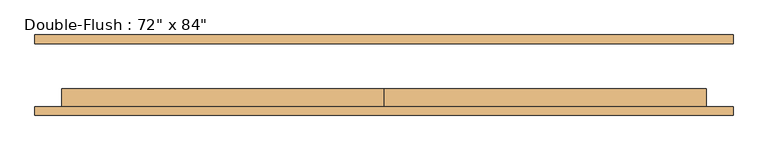
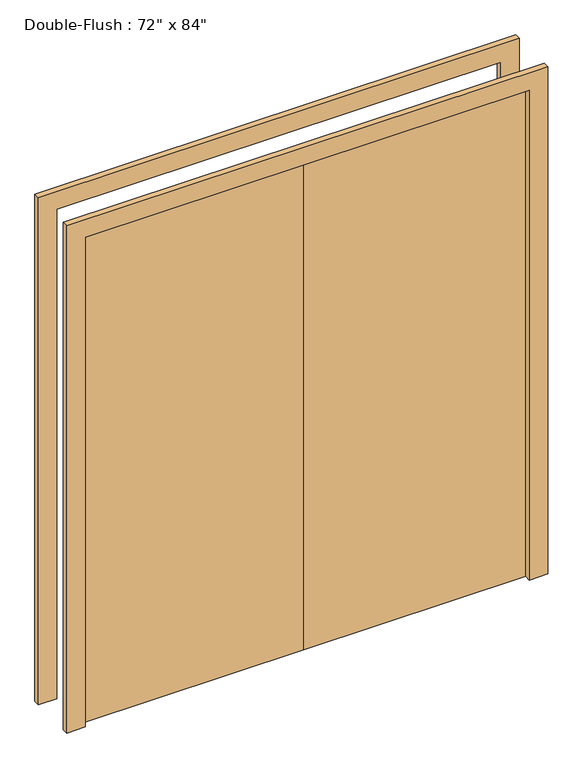
"""IFC4 building model written with IfcOpenShell, lengths in millimetres: door geometry."""

from ifc_helpers import new_model, si_unit, frame, origin, origin_with_axes, place, context, project, spatial, polyline, outline, extrude, source, transform, mapped, element, save


def door_c1384db7(model_context):
    return source(origin(), model_context, "Body", "SweptSolid", [
        extrude(outline(polyline([(0.0, -88.9), (0.0, -38.1), (914.4, -38.1), (914.4, -88.9), (0.0, -88.9)])), origin_with_axes(), (0.0, 0.0, 1.0), 2133.6),
        extrude(outline(polyline([(-914.4, -88.9), (-914.4, -38.1), (0.0, -38.1), (0.0, -88.9), (-914.4, -88.9)])), origin_with_axes(), (0.0, 0.0, 1.0), 2133.6),
        extrude(outline(polyline([(2133.6, -914.4), (2133.6, 914.4), (0.0, 914.4), (0.0, 990.6), (2209.8, 990.6), (2209.8, -990.6), (0.0, -990.6), (0.0, -914.4), (2133.6, -914.4)])), frame((0.0, 88.9, 0.0), z_axis=(0.0, 1.0, 0.0), x_axis=(0.0, 0.0, 1.0)), (0.0, 0.0, 1.0), 25.4),
        extrude(outline(polyline([(2133.6, -914.4), (2133.6, 914.4), (0.0, 914.4), (0.0, 990.6), (2209.8, 990.6), (2209.8, -990.6), (0.0, -990.6), (0.0, -914.4), (2133.6, -914.4)])), frame((0.0, -114.3, 0.0), z_axis=(0.0, 1.0, 0.0), x_axis=(0.0, 0.0, 1.0)), (0.0, 0.0, 1.0), 25.4),
    ])


if __name__ == "__main__":
    model = new_model("IFC4")
    model_context = context("Model", 3, world=origin())
    ifc_project = project(units=[si_unit("LENGTHUNIT", "METRE", prefix="MILLI")], contexts=[model_context])
    site = spatial("IfcSite", under=ifc_project)
    building = spatial("IfcBuilding", under=site)
    placement = place(None, origin())
    door_shape = door_c1384db7(model_context)
    element("IfcDoor", 1, ObjectType="Double-Flush : 72\" x 84\"", at=placement, inside=building, context=model_context, shape_type="MappedRepresentation", body=[
        mapped(door_shape, transform((0.0, 0.0, 0.0), x_axis=(1.0, 0.0, 0.0), y_axis=(0.0, 1.0, 0.0), z_axis=(0.0, 0.0, 1.0))),
    ])
    save(model, "model.ifc")
